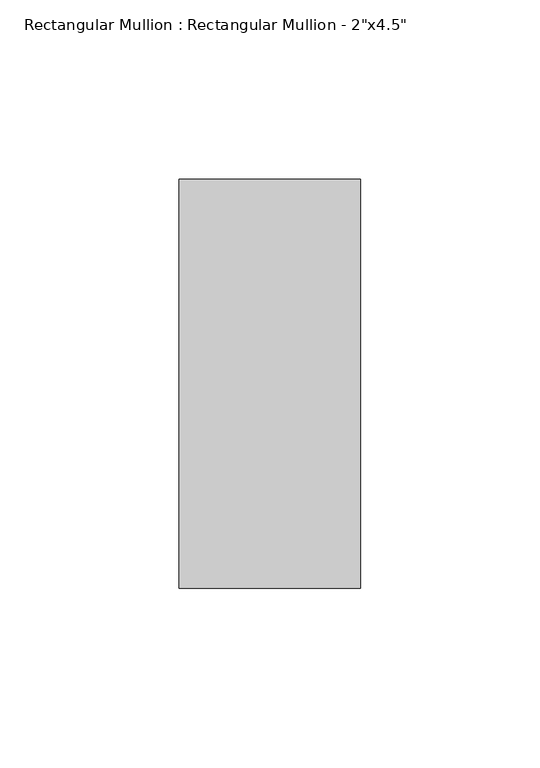
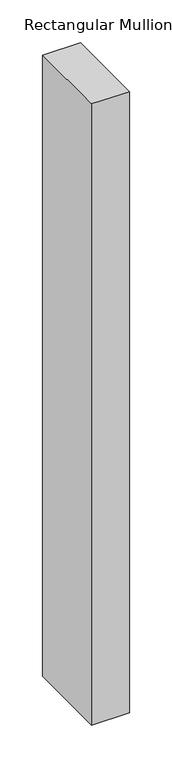
"""IFC4 building model written with IfcOpenShell, lengths in millimetres: member geometry."""

from ifc_helpers import new_model, si_unit, frame, origin, place, context, project, spatial, polyline, outline, extrude, source, transform, mapped, element, save


def member_03bb73fd(model_context):
    return source(origin(), model_context, "Body", "SweptSolid", [
        extrude(outline(polyline([(25.4, 57.15), (25.4, -57.15), (-25.4, -57.15), (-25.4, 57.15), (25.4, 57.15)])), frame((0.0, 0.0, -884.7666667), z_axis=(0.0, 0.0, 1.0), x_axis=(1.0, 0.0, 0.0)), (0.0, 0.0, 1.0), 884.7666667),
    ])


if __name__ == "__main__":
    model = new_model("IFC4")
    model_context = context("Model", 3, world=origin())
    ifc_project = project(units=[si_unit("LENGTHUNIT", "METRE", prefix="MILLI")], contexts=[model_context])
    site = spatial("IfcSite", under=ifc_project)
    building = spatial("IfcBuilding", under=site)
    placement = place(None, origin())
    member_shape = member_03bb73fd(model_context)
    element("IfcMember", 1, ObjectType="Rectangular Mullion : Rectangular Mullion - 2\"x4.5\"", at=placement, inside=building, context=model_context, shape_type="MappedRepresentation", body=[
        mapped(member_shape, transform((0.0, 0.0, 0.0), x_axis=(1.0, 0.0, 0.0), y_axis=(0.0, 1.0, 0.0), z_axis=(0.0, 0.0, 1.0))),
    ])
    save(model, "model.ifc")
